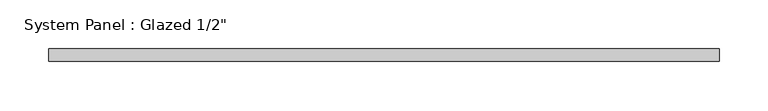
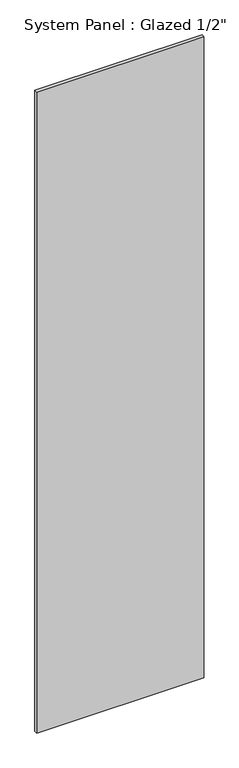
"""IFC4 building model written with IfcOpenShell, lengths in millimetres: plate geometry."""

from ifc_helpers import new_model, si_unit, origin, origin_with_axes, place, context, project, spatial, polyline, outline, extrude, source, transform, mapped, element, save


def plate_ddedd441(model_context):
    return source(origin(), model_context, "Body", "SweptSolid", [
        extrude(outline(polyline([(342.8749101, -6.35), (-342.8749101, -6.35), (-342.8749101, 6.35), (342.8749101, 6.35), (342.8749101, -6.35)])), origin_with_axes(), (0.0, 0.0, 1.0), 2781.3),
    ])


if __name__ == "__main__":
    model = new_model("IFC4")
    model_context = context("Model", 3, world=origin())
    ifc_project = project(units=[si_unit("LENGTHUNIT", "METRE", prefix="MILLI")], contexts=[model_context])
    site = spatial("IfcSite", under=ifc_project)
    building = spatial("IfcBuilding", under=site)
    placement = place(None, origin())
    plate_shape = plate_ddedd441(model_context)
    element("IfcPlate", 1, ObjectType="System Panel : Glazed 1/2\"", at=placement, inside=building, context=model_context, shape_type="MappedRepresentation", body=[
        mapped(plate_shape, transform((0.0, 0.0, 0.0), x_axis=(1.0, 0.0, 0.0), y_axis=(0.0, 1.0, 0.0), z_axis=(0.0, 0.0, 1.0))),
    ])
    save(model, "model.ifc")
